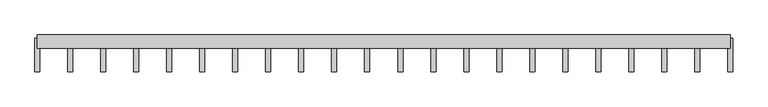
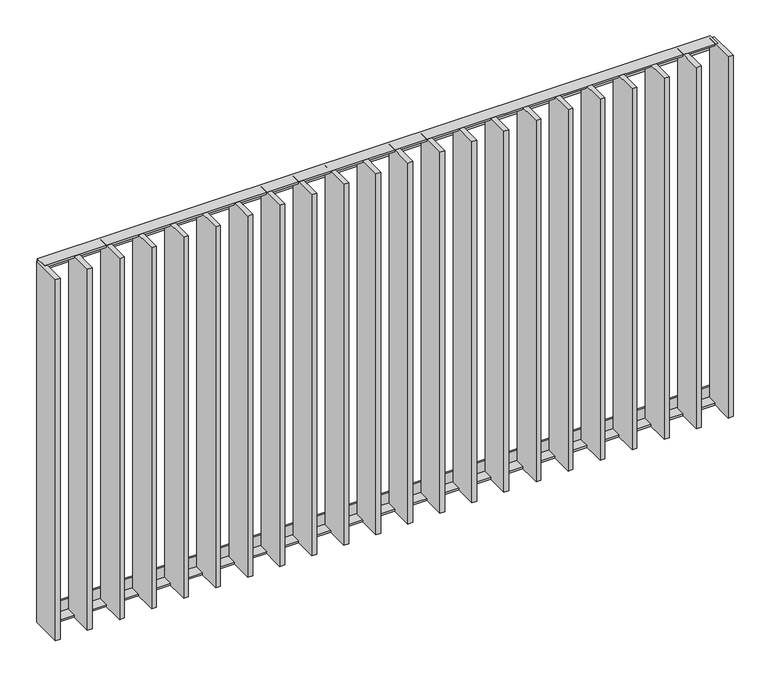
"""IFC4 building model written with IfcOpenShell, lengths in millimetres: railing geometry."""

from ifc_helpers import new_model, si_unit, frame, origin, place, context, project, spatial, polyline, outline, extrude, source, transform, mapped, element, save


def railing_424780cf(model_context):
    return source(origin(), model_context, "Body", "SweptSolid", [
        extrude(outline(polyline([(27205.429446, 7994.0), (27171.429446, 7994.0), (27171.429446, 8000.0), (27211.429446, 8000.0), (27211.429446, 7960.0), (27205.429446, 7960.0), (27205.429446, 7994.0)])), frame((42609.5112064, 0.0, 0.0), z_axis=(1.0, 0.0, 0.0), x_axis=(0.0, 1.0, 0.0)), (0.0, 0.0, 1.0), 2080.0),
        extrude(outline(polyline([(27205.429446, 6826.0), (27205.429446, 6860.0), (27211.429446, 6860.0), (27211.429446, 6820.0), (27171.429446, 6820.0), (27171.429446, 6826.0), (27205.429446, 6826.0)])), frame((42609.5112064, 0.0, 0.0), z_axis=(1.0, 0.0, 0.0), x_axis=(0.0, 1.0, 0.0)), (0.0, 0.0, 1.0), 2080.0),
        extrude(outline(polyline([(44582.9635874, 27201.429446), (44597.9635874, 27201.429446), (44597.9635874, 27101.429446), (44582.9635874, 27101.429446), (44582.9635874, 27201.429446)])), frame((0.0, 0.0, 6819.9), z_axis=(0.0, 0.0, 1.0), x_axis=(1.0, 0.0, 0.0)), (0.0, 0.0, 1.0), 1180.2),
        extrude(outline(polyline([(44483.9159683, 27201.429446), (44498.9159683, 27201.429446), (44498.9159683, 27101.429446), (44483.9159683, 27101.429446), (44483.9159683, 27201.429446)])), frame((0.0, 0.0, 6819.9), z_axis=(0.0, 0.0, 1.0), x_axis=(1.0, 0.0, 0.0)), (0.0, 0.0, 1.0), 1180.2),
        extrude(outline(polyline([(44384.8683493, 27201.429446), (44399.8683493, 27201.429446), (44399.8683493, 27101.429446), (44384.8683493, 27101.429446), (44384.8683493, 27201.429446)])), frame((0.0, 0.0, 6819.9), z_axis=(0.0, 0.0, 1.0), x_axis=(1.0, 0.0, 0.0)), (0.0, 0.0, 1.0), 1180.2),
        extrude(outline(polyline([(44285.8207302, 27201.429446), (44300.8207302, 27201.429446), (44300.8207302, 27101.429446), (44285.8207302, 27101.429446), (44285.8207302, 27201.429446)])), frame((0.0, 0.0, 6819.9), z_axis=(0.0, 0.0, 1.0), x_axis=(1.0, 0.0, 0.0)), (0.0, 0.0, 1.0), 1180.2),
        extrude(outline(polyline([(44186.7731112, 27201.429446), (44201.7731112, 27201.429446), (44201.7731112, 27101.429446), (44186.7731112, 27101.429446), (44186.7731112, 27201.429446)])), frame((0.0, 0.0, 6819.9), z_axis=(0.0, 0.0, 1.0), x_axis=(1.0, 0.0, 0.0)), (0.0, 0.0, 1.0), 1180.2),
        extrude(outline(polyline([(44087.7254921, 27201.429446), (44102.7254921, 27201.429446), (44102.7254921, 27101.429446), (44087.7254921, 27101.429446), (44087.7254921, 27201.429446)])), frame((0.0, 0.0, 6819.9), z_axis=(0.0, 0.0, 1.0), x_axis=(1.0, 0.0, 0.0)), (0.0, 0.0, 1.0), 1180.2),
        extrude(outline(polyline([(43988.6778731, 27201.429446), (44003.6778731, 27201.429446), (44003.6778731, 27101.429446), (43988.6778731, 27101.429446), (43988.6778731, 27201.429446)])), frame((0.0, 0.0, 6819.9), z_axis=(0.0, 0.0, 1.0), x_axis=(1.0, 0.0, 0.0)), (0.0, 0.0, 1.0), 1180.2),
        extrude(outline(polyline([(43889.630254, 27201.429446), (43904.630254, 27201.429446), (43904.630254, 27101.429446), (43889.630254, 27101.429446), (43889.630254, 27201.429446)])), frame((0.0, 0.0, 6819.9), z_axis=(0.0, 0.0, 1.0), x_axis=(1.0, 0.0, 0.0)), (0.0, 0.0, 1.0), 1180.2),
        extrude(outline(polyline([(43790.582635, 27201.429446), (43805.582635, 27201.429446), (43805.582635, 27101.429446), (43790.582635, 27101.429446), (43790.582635, 27201.429446)])), frame((0.0, 0.0, 6819.9), z_axis=(0.0, 0.0, 1.0), x_axis=(1.0, 0.0, 0.0)), (0.0, 0.0, 1.0), 1180.2),
        extrude(outline(polyline([(43691.5350159, 27201.429446), (43706.5350159, 27201.429446), (43706.5350159, 27101.429446), (43691.5350159, 27101.429446), (43691.5350159, 27201.429446)])), frame((0.0, 0.0, 6819.9), z_axis=(0.0, 0.0, 1.0), x_axis=(1.0, 0.0, 0.0)), (0.0, 0.0, 1.0), 1180.2),
        extrude(outline(polyline([(43592.4873969, 27201.429446), (43607.4873969, 27201.429446), (43607.4873969, 27101.429446), (43592.4873969, 27101.429446), (43592.4873969, 27201.429446)])), frame((0.0, 0.0, 6819.9), z_axis=(0.0, 0.0, 1.0), x_axis=(1.0, 0.0, 0.0)), (0.0, 0.0, 1.0), 1180.2),
        extrude(outline(polyline([(43493.4397778, 27201.429446), (43508.4397778, 27201.429446), (43508.4397778, 27101.429446), (43493.4397778, 27101.429446), (43493.4397778, 27201.429446)])), frame((0.0, 0.0, 6819.9), z_axis=(0.0, 0.0, 1.0), x_axis=(1.0, 0.0, 0.0)), (0.0, 0.0, 1.0), 1180.2),
        extrude(outline(polyline([(43394.3921588, 27201.429446), (43409.3921588, 27201.429446), (43409.3921588, 27101.429446), (43394.3921588, 27101.429446), (43394.3921588, 27201.429446)])), frame((0.0, 0.0, 6819.9), z_axis=(0.0, 0.0, 1.0), x_axis=(1.0, 0.0, 0.0)), (0.0, 0.0, 1.0), 1180.2),
        extrude(outline(polyline([(43295.3445397, 27201.429446), (43310.3445397, 27201.429446), (43310.3445397, 27101.429446), (43295.3445397, 27101.429446), (43295.3445397, 27201.429446)])), frame((0.0, 0.0, 6819.9), z_axis=(0.0, 0.0, 1.0), x_axis=(1.0, 0.0, 0.0)), (0.0, 0.0, 1.0), 1180.2),
        extrude(outline(polyline([(43196.2969207, 27201.429446), (43211.2969207, 27201.429446), (43211.2969207, 27101.429446), (43196.2969207, 27101.429446), (43196.2969207, 27201.429446)])), frame((0.0, 0.0, 6819.9), z_axis=(0.0, 0.0, 1.0), x_axis=(1.0, 0.0, 0.0)), (0.0, 0.0, 1.0), 1180.2),
        extrude(outline(polyline([(43097.2493017, 27201.429446), (43112.2493017, 27201.429446), (43112.2493017, 27101.429446), (43097.2493017, 27101.429446), (43097.2493017, 27201.429446)])), frame((0.0, 0.0, 6819.9), z_axis=(0.0, 0.0, 1.0), x_axis=(1.0, 0.0, 0.0)), (0.0, 0.0, 1.0), 1180.2),
        extrude(outline(polyline([(42998.2016826, 27201.429446), (43013.2016826, 27201.429446), (43013.2016826, 27101.429446), (42998.2016826, 27101.429446), (42998.2016826, 27201.429446)])), frame((0.0, 0.0, 6819.9), z_axis=(0.0, 0.0, 1.0), x_axis=(1.0, 0.0, 0.0)), (0.0, 0.0, 1.0), 1180.2),
        extrude(outline(polyline([(42899.1540636, 27201.429446), (42914.1540636, 27201.429446), (42914.1540636, 27101.429446), (42899.1540636, 27101.429446), (42899.1540636, 27201.429446)])), frame((0.0, 0.0, 6819.9), z_axis=(0.0, 0.0, 1.0), x_axis=(1.0, 0.0, 0.0)), (0.0, 0.0, 1.0), 1180.2),
        extrude(outline(polyline([(42800.1064445, 27201.429446), (42815.1064445, 27201.429446), (42815.1064445, 27101.429446), (42800.1064445, 27101.429446), (42800.1064445, 27201.429446)])), frame((0.0, 0.0, 6819.9), z_axis=(0.0, 0.0, 1.0), x_axis=(1.0, 0.0, 0.0)), (0.0, 0.0, 1.0), 1180.2),
        extrude(outline(polyline([(42701.0588255, 27201.429446), (42716.0588255, 27201.429446), (42716.0588255, 27101.429446), (42701.0588255, 27101.429446), (42701.0588255, 27201.429446)])), frame((0.0, 0.0, 6819.9), z_axis=(0.0, 0.0, 1.0), x_axis=(1.0, 0.0, 0.0)), (0.0, 0.0, 1.0), 1180.2),
        extrude(outline(polyline([(44682.0112064, 27201.429446), (44697.0112064, 27201.429446), (44697.0112064, 27101.429446), (44682.0112064, 27101.429446), (44682.0112064, 27201.429446)])), frame((0.0, 0.0, 6819.9), z_axis=(0.0, 0.0, 1.0), x_axis=(1.0, 0.0, 0.0)), (0.0, 0.0, 1.0), 1180.2),
        extrude(outline(polyline([(42602.0112064, 27201.429446), (42617.0112064, 27201.429446), (42617.0112064, 27101.429446), (42602.0112064, 27101.429446), (42602.0112064, 27201.429446)])), frame((0.0, 0.0, 6819.9), z_axis=(0.0, 0.0, 1.0), x_axis=(1.0, 0.0, 0.0)), (0.0, 0.0, 1.0), 1180.2),
    ])


if __name__ == "__main__":
    model = new_model("IFC4")
    model_context = context("Model", 3, world=origin())
    ifc_project = project(units=[si_unit("LENGTHUNIT", "METRE", prefix="MILLI")], contexts=[model_context])
    site = spatial("IfcSite", under=ifc_project)
    building = spatial("IfcBuilding", under=site)
    placement = place(None, origin())
    railing_shape = railing_424780cf(model_context)
    element("IfcRailing", 1, at=placement, inside=building, context=model_context, shape_type="MappedRepresentation", body=[
        mapped(railing_shape, transform((0.0, 0.0, 0.0), x_axis=(1.0, 0.0, 0.0), y_axis=(0.0, 1.0, 0.0), z_axis=(0.0, 0.0, 1.0))),
    ])
    save(model, "model.ifc")
